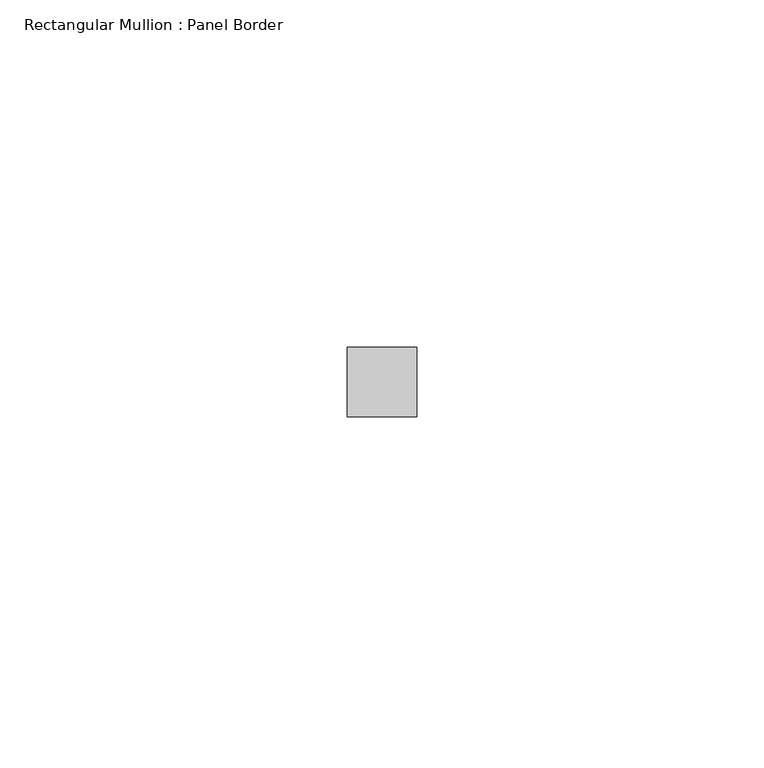
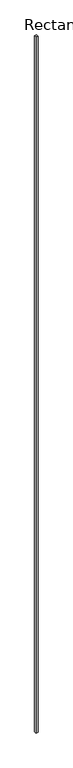
"""IFC4 building model written with IfcOpenShell, lengths in millimetres: member geometry, Rectangular Mullion : Panel Border."""

from ifc_helpers import new_model, si_unit, frame, origin, place, context, project, spatial, polyline, outline, extrude, source, transform, mapped, element, save


def rectangular_mullion_panel_border_fa34eac6(model_context):
    return source(origin(), model_context, "Body", "SweptSolid", [
        extrude(outline(polyline([(5.0, 5.5), (5.0, -4.5), (-5.0, -4.5), (-5.0, 5.5), (5.0, 5.5)])), frame((0.0, 0.0, -3600.0), z_axis=(0.0, 0.0, 1.0), x_axis=(1.0, 0.0, 0.0)), (0.0, 0.0, 1.0), 3600.0),
    ])


if __name__ == "__main__":
    model = new_model("IFC4")
    model_context = context("Model", 3, world=origin())
    ifc_project = project(units=[si_unit("LENGTHUNIT", "METRE", prefix="MILLI")], contexts=[model_context])
    site = spatial("IfcSite", under=ifc_project)
    building = spatial("IfcBuilding", under=site)
    placement = place(None, origin())
    rectangular_mullion_panel_border_shape = rectangular_mullion_panel_border_fa34eac6(model_context)
    element("IfcMember", 1, ObjectType="Rectangular Mullion : Panel Border", at=placement, inside=building, context=model_context, shape_type="MappedRepresentation", body=[
        mapped(rectangular_mullion_panel_border_shape, transform((0.0, 0.0, 0.0), x_axis=(1.0, 0.0, 0.0), y_axis=(0.0, 1.0, 0.0), z_axis=(0.0, 0.0, 1.0))),
    ])
    save(model, "model.ifc")
